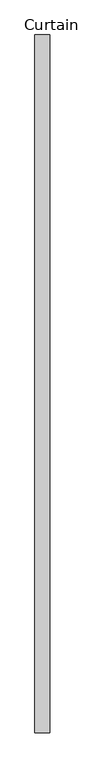
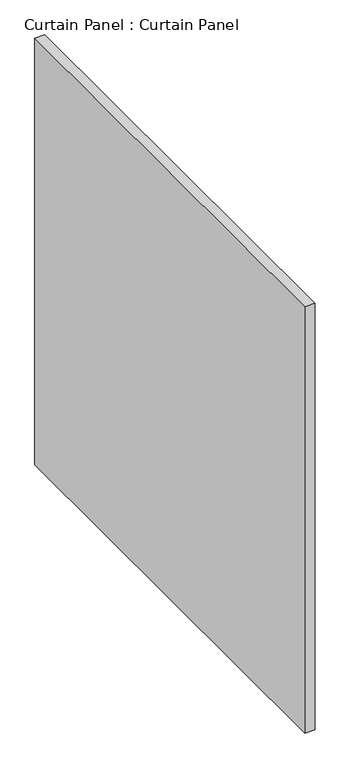
"""IFC4 building model written with IfcOpenShell, lengths in millimetres: plate geometry, Curtain Panel : Curtain Panel."""

from ifc_helpers import new_model, si_unit, frame, origin, place, context, project, spatial, polyline, outline, extrude, source, transform, mapped, element, save


def curtain_panel_curtain_panel_87d23037(model_context):
    return source(origin(), model_context, "Body", "SweptSolid", [
        extrude(outline(polyline([(-411398.1205803, 5994.9609739), (-411398.1205803, 4794.8112003), (-411423.5205803, 4794.8112003), (-411423.5205803, 5994.9609739), (-411398.1205803, 5994.9609739)])), frame((0.0, 0.0, 1250.95), z_axis=(0.0, 0.0, 1.0), x_axis=(1.0, 0.0, 0.0)), (0.0, 0.0, 1.0), 1155.7),
    ])


if __name__ == "__main__":
    model = new_model("IFC4")
    model_context = context("Model", 3, world=origin())
    ifc_project = project(units=[si_unit("LENGTHUNIT", "METRE", prefix="MILLI")], contexts=[model_context])
    site = spatial("IfcSite", under=ifc_project)
    building = spatial("IfcBuilding", under=site)
    placement = place(None, origin())
    curtain_panel_curtain_panel_shape = curtain_panel_curtain_panel_87d23037(model_context)
    element("IfcPlate", 1, ObjectType="Curtain Panel : Curtain Panel", at=placement, inside=building, context=model_context, shape_type="MappedRepresentation", body=[
        mapped(curtain_panel_curtain_panel_shape, transform((0.0, 0.0, 0.0), x_axis=(1.0, 0.0, 0.0), y_axis=(0.0, 1.0, 0.0), z_axis=(0.0, 0.0, 1.0))),
    ])
    save(model, "model.ifc")
